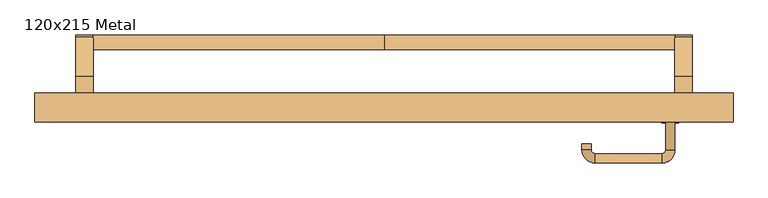
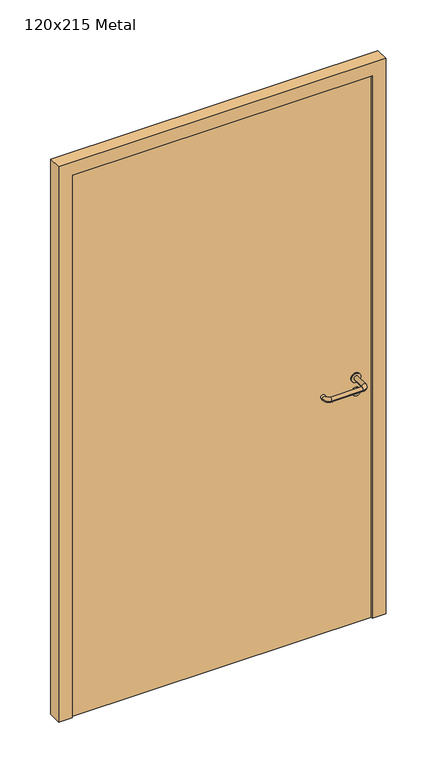
"""IFC4 building model written with IfcOpenShell, lengths in millimetres: door geometry, 120x215 Metal."""

from ifc_helpers import new_model, si_unit, point, frame, frame_2d, origin, origin_with_axes, place, context, project, spatial, polyline, circle_curve, ellipse_curve, trimmed, segment, composite_curve, outline, extrude, source, transform, mapped, element, save
from ifc_brep_helpers import plane_surface, cylinder_surface, revolved_surface, advanced_brep


def door_120x215_metal_ea33b3b6(model_context):
    return source(origin(), model_context, "Body", "SolidModel", [
        advanced_brep(
        [(-500.0, -24.5828565, 861.5304884), (-500.0, 0.4171435, 861.5304884), (0.0, 0.4171435, 861.5304884), (0.0, -24.5828565, 861.5304884), (500.0, -24.5828565, 861.5304884), (500.0, 0.4171435, 861.5304884)],
        [
            (0, 1, circle_curve(frame((-500.0, -12.0828565, 861.5304884), z_axis=(-1.0, 0.0, 0.0), x_axis=(0.0, 1.0, 0.0)), 12.5)),
            (1, 0, circle_curve(frame((-500.0, -12.0828565, 861.5304884), z_axis=(-1.0, 0.0, 0.0), x_axis=(0.0, 1.0, 0.0)), 12.5)),
            (1, 2),
            (2, 3, circle_curve(frame((0.0, -12.0828565, 861.5304884), z_axis=(-1.0, 0.0, 0.0), x_axis=(0.0, 1.0, 0.0)), 12.5)),
            (3, 0),
            (3, 2, circle_curve(frame((0.0, -12.0828565, 861.5304884), z_axis=(-1.0, 0.0, 0.0), x_axis=(0.0, 1.0, 0.0)), 12.5)),
            (4, 5, circle_curve(frame((500.0, -12.0828565, 861.5304884), z_axis=(1.0, 0.0, 0.0), x_axis=(0.0, 1.0, 0.0)), 12.5)),
            (5, 4, circle_curve(frame((500.0, -12.0828565, 861.5304884), z_axis=(1.0, 0.0, 0.0), x_axis=(0.0, 1.0, 0.0)), 12.5)),
            (4, 3),
            (2, 5),
        ],
        [
            plane_surface(frame((-500.0, 0.4171435, 861.5304884), z_axis=(-1.0, 0.0, 0.0), x_axis=(0.0, 0.0, -1.0))),
            cylinder_surface(frame((-500.0, -12.0828565, 861.5304884), z_axis=(1.0, 0.0, 0.0), x_axis=(0.0, 1.0, 0.0)), 12.5),
            plane_surface(frame((500.0, 0.4171435, 861.5304884), z_axis=(1.0, 0.0, 0.0), x_axis=(0.0, 0.0, 1.0))),
            cylinder_surface(frame((0.0, -12.0828565, 861.5304884), z_axis=(1.0, 0.0, 0.0), x_axis=(0.0, 1.0, 0.0)), 12.5),
        ],
        [
            (0, [[1, 2]]),
            (1, [[-2, 3, 4, 5]]),
            (1, [[-1, -5, 6, -3]]),
            (2, [[7, 8]]),
            (3, [[-7, 9, -4, 10]]),
            (3, [[-8, -10, -6, -9]]),
        ],
    ),
        extrude(outline(composite_curve([segment(polyline([(-70.0, 950.0), (-2.507301, 869.5653335)]), True, "CONTINUOUS"), segment(trimmed(circle_curve(frame_2d((-12.0828565, 861.5304884)), 12.5), [point((-2.507301, 869.5653335))], [point((-21.6584121, 853.4956432))], False, "CARTESIAN"), True, "CONTINUOUS"), segment(polyline([(-21.6584121, 853.4956432), (-71.4513009, 895.2768379), (-115.0, 895.2768379), (-115.0, 950.0), (-70.0, 950.0)]), True, "CONTINUOUS")], self_intersect=False)), frame((-530.0, 0.0, 0.0), z_axis=(1.0, 0.0, 0.0), x_axis=(0.0, 1.0, 0.0)), (0.0, 0.0, 1.0), 30.0),
        extrude(outline(composite_curve([segment(polyline([(-70.0, 950.0), (-2.507301, 869.5653335)]), True, "CONTINUOUS"), segment(trimmed(circle_curve(frame_2d((-12.0828565, 861.5304884)), 12.5), [point((-2.507301, 869.5653335))], [point((-21.6584121, 853.4956432))], False, "CARTESIAN"), True, "CONTINUOUS"), segment(polyline([(-21.6584121, 853.4956432), (-71.4513009, 895.2768379), (-115.0, 895.2768379), (-115.0, 950.0), (-70.0, 950.0)]), True, "CONTINUOUS")], self_intersect=False)), frame((500.0, 0.0, 0.0), z_axis=(1.0, 0.0, 0.0), x_axis=(0.0, 1.0, 0.0)), (0.0, 0.0, 1.0), 30.0),
        extrude(outline(composite_curve([segment(trimmed(circle_curve(frame_2d((0.0, 15.0)), 15.0), [point((0.0, 30.0))], [point((0.0, 0.0))], False, "CARTESIAN"), True, "CONTINUOUS"), segment(trimmed(circle_curve(frame_2d((0.0, 15.0)), 15.0), [point((0.0, 0.0))], [point((0.0, 30.0))], False, "CARTESIAN"), True, "CONTINUOUS")], self_intersect=False), holes=[composite_curve([segment(trimmed(circle_curve(frame_2d((-4.7772515, 14.9398032)), 2.0), [point((-4.7772515, 16.9398032))], [point((-4.7772515, 12.9398032))], True, "CARTESIAN"), True, "CONTINUOUS"), segment(polyline([(-4.7772515, 12.9398032), (5.2227485, 12.9398032)]), True, "CONTINUOUS"), segment(trimmed(circle_curve(frame_2d((5.2227485, 14.9398032)), 2.0), [point((5.2227485, 12.9398032))], [point((5.2227485, 16.9398032))], True, "CARTESIAN"), True, "CONTINUOUS"), segment(polyline([(5.2227485, 16.9398032), (-4.7772515, 16.9398032)]), True, "CONTINUOUS")], self_intersect=False)]), frame((477.0, -151.35, 897.3605726), z_axis=(-1.8870575173328306e-12, 1.0, 0.0), x_axis=(0.0, 0.0, 1.0)), (0.0, 0.0, 1.0), 6.35),
        extrude(outline(composite_curve([segment(trimmed(circle_curve(frame_2d((0.0, 17.526)), 17.526), [point((0.0, 35.052))], [point((0.0, 0.0))], False, "CARTESIAN"), True, "CONTINUOUS"), segment(trimmed(circle_curve(frame_2d((0.0, 17.526)), 17.526), [point((0.0, 0.0))], [point((0.0, 35.052))], False, "CARTESIAN"), True, "CONTINUOUS")], self_intersect=False)), frame((474.474, -148.175, 950.0), z_axis=(-1.8870575173328306e-12, 1.0, 0.0), x_axis=(0.0, 0.0, 1.0)), (0.0, 0.0, 1.0), 3.175),
        advanced_brep(
        [(500.0, -145.0, 950.0), (484.0, -145.0, 950.0), (484.0, -198.0, 950.0), (500.0, -198.0, 950.0), (477.8578644, -204.1421356, 950.0), (477.8578644, -220.1421356, 950.0), (362.8578644, -204.1421356, 950.0), (362.8578644, -220.1421356, 950.0), (356.008622, -197.2928932, 950.0), (340.008622, -197.2928932, 950.0), (340.008622, -187.2928932, 950.0), (356.008622, -187.2928932, 950.0)],
        [
            (0, 1, circle_curve(frame((492.0, -145.0, 950.0), z_axis=(-1.888672253512351e-12, 1.0, 0.0), x_axis=(-1.0, -1.888672253512351e-12, 0.0)), 8.0)),
            (1, 0, circle_curve(frame((492.0, -145.0, 950.0), z_axis=(-1.888672253512351e-12, 1.0, 0.0), x_axis=(-1.0, -1.888672253512351e-12, 0.0)), 8.0)),
            (1, 2),
            (2, 3, circle_curve(frame((492.0, -198.0, 950.0), z_axis=(-1.888672253512351e-12, 1.0, 0.0), x_axis=(-1.0, -1.888672253512351e-12, 0.0)), 8.0)),
            (3, 0),
            (3, 2, circle_curve(frame((492.0, -198.0, 950.0), z_axis=(-1.888672253512351e-12, 1.0, 0.0), x_axis=(-1.0, -1.888672253512351e-12, 0.0)), 8.0)),
            (4, 5, circle_curve(frame((477.8578644, -212.1421356, 950.0), z_axis=(1.0, 1.913702061528922e-12, 0.0), x_axis=(-1.913702061528922e-12, 1.0, 0.0)), 8.0)),
            (5, 3, circle_curve(frame((477.8578644, -198.0, 950.0), z_axis=(0.0, 0.0, 1.0), x_axis=(1.0, 1.880717803715015e-12, 0.0)), 22.1421356)),
            (2, 4, circle_curve(frame((477.8578644, -198.0, 950.0), z_axis=(0.0, 0.0, -1.0), x_axis=(1.0, 1.880717803715015e-12, 0.0)), 6.1421356)),
            (5, 4, circle_curve(frame((477.8578644, -212.1421356, 950.0), z_axis=(1.0, 1.913702061528922e-12, 0.0), x_axis=(-1.913702061528922e-12, 1.0, 0.0)), 8.0)),
            (4, 6),
            (6, 7, circle_curve(frame((362.8578644, -212.1421356, 950.0), z_axis=(1.0, 1.913719828541269e-12, 0.0), x_axis=(-1.913719828541269e-12, 1.0, 0.0)), 8.0)),
            (7, 5),
            (7, 6, circle_curve(frame((362.8578644, -212.1421356, 950.0), z_axis=(1.0, 1.913719828541269e-12, 0.0), x_axis=(-1.913719828541269e-12, 1.0, 0.0)), 8.0)),
            (8, 9, circle_curve(frame((348.008622, -197.2928932, 950.0), z_axis=(1.890226565746826e-12, -1.0, 0.0), x_axis=(1.0, 1.890226565746826e-12, 0.0)), 8.0)),
            (9, 7, circle_curve(frame((362.8578644, -197.2928932, 950.0), z_axis=(0.0, 0.0, 1.0), x_axis=(1.9120873253494017e-12, -1.0, 0.0)), 22.8492424)),
            (6, 8, circle_curve(frame((362.8578644, -197.2928932, 950.0), z_axis=(0.0, 0.0, -1.0), x_axis=(1.9120873253494017e-12, -1.0, 0.0)), 6.8492424)),
            (9, 8, circle_curve(frame((348.008622, -197.2928932, 950.0), z_axis=(1.890670654956676e-12, -1.0, 0.0), x_axis=(1.0, 1.890670654956676e-12, 0.0)), 8.0)),
            (10, 11, circle_curve(frame((348.008622, -187.2928932, 950.0), z_axis=(-1.8903642334018795e-12, 1.0, 0.0), x_axis=(1.0, 1.8903642334018795e-12, 0.0)), 8.0)),
            (11, 10, circle_curve(frame((348.008622, -187.2928932, 950.0), z_axis=(-1.8903642334018795e-12, 1.0, 0.0), x_axis=(1.0, 1.8903642334018795e-12, 0.0)), 8.0)),
            (8, 11),
            (10, 9),
        ],
        [
            plane_surface(frame((492.0, -145.0, 170.0), z_axis=(-1.8870575173328306e-12, 1.0, 0.0), x_axis=(0.0, 0.0, 1.0))),
            cylinder_surface(frame((492.0, -145.0, 950.0), z_axis=(-1.888672253512351e-12, 1.0, 0.0), x_axis=(-1.0, -1.888672253512351e-12, 0.0)), 8.0),
            revolved_surface(trimmed(ellipse_curve(frame((492.0, -198.0, 950.0), z_axis=(1.8823325398945356e-12, -1.0, 0.0), x_axis=(-1.0, -1.8823325398945356e-12, 0.0)), 8.0, 8.0), [point((500.0, -198.0, 950.0))], [point((484.0, -198.0, 950.0))], True, "CARTESIAN"), (477.8578644, -198.0, 170.0), (0.0, 0.0, 1.0)),
            revolved_surface(trimmed(ellipse_curve(frame((492.0, -198.0, 950.0), z_axis=(1.8823325398945356e-12, -1.0, 0.0), x_axis=(-1.0, -1.8823325398945356e-12, 0.0)), 8.0, 8.0), [point((484.0, -198.0, 950.0))], [point((500.0, -198.0, 950.0))], True, "CARTESIAN"), (477.8578644, -198.0, 170.0), (0.0, 0.0, 1.0)),
            cylinder_surface(frame((477.8578644, -212.1421356, 950.0), z_axis=(1.0, 1.913719828541269e-12, 0.0), x_axis=(-1.913719828541269e-12, 1.0, 0.0)), 8.0),
            revolved_surface(trimmed(ellipse_curve(frame((362.8578644, -212.1421356, 950.0), z_axis=(-1.0, -1.913702061528922e-12, 0.0), x_axis=(-1.913702061528922e-12, 1.0, 0.0)), 8.0, 8.0), [point((362.8578644, -220.1421356, 950.0))], [point((362.8578644, -204.1421356, 950.0))], True, "CARTESIAN"), (362.8578644, -197.2928932, 170.0), (0.0, 0.0, 1.0)),
            revolved_surface(trimmed(ellipse_curve(frame((362.8578644, -212.1421356, 950.0), z_axis=(-1.0, -1.913702061528922e-12, 0.0), x_axis=(-1.913702061528922e-12, 1.0, 0.0)), 8.0, 8.0), [point((362.8578644, -204.1421356, 950.0))], [point((362.8578644, -220.1421356, 950.0))], True, "CARTESIAN"), (362.8578644, -197.2928932, 170.0), (0.0, 0.0, 1.0)),
            plane_surface(frame((348.008622, -187.2928932, 170.0), z_axis=(-1.8887494972223595e-12, 1.0, 0.0), x_axis=(0.0, 0.0, 1.0))),
            cylinder_surface(frame((348.008622, -197.2928932, 950.0), z_axis=(1.8903642334018795e-12, -1.0, 0.0), x_axis=(1.0, 1.8903642334018795e-12, 0.0)), 8.0),
        ],
        [
            (0, [[1, 2]]),
            (1, [[3, 4, 5, -2]]),
            (1, [[-5, 6, -3, -1]]),
            (2, [[7, 8, -4, 9]]),
            (3, [[10, -9, -6, -8]]),
            (4, [[11, 12, 13, -7]]),
            (4, [[-13, 14, -11, -10]]),
            (5, [[15, 16, -12, 17]]),
            (6, [[18, -17, -14, -16]]),
            (7, [[19, 20]]),
            (8, [[21, -19, 22, -15]]),
            (8, [[-22, -20, -21, -18]]),
        ],
    ),
        extrude(outline(polyline([(2100.0, 550.0), (0.0, 550.0), (0.0, 600.0), (2150.0, 600.0), (2150.0, -600.0), (0.0, -600.0), (0.0, -550.0), (2100.0, -550.0), (2100.0, 550.0)])), frame((0.0, -150.0, 0.0), z_axis=(0.0, 1.0, 0.0), x_axis=(0.0, 0.0, 1.0)), (0.0, 0.0, 1.0), 50.0),
        extrude(outline(polyline([(-550.0, -145.0), (-550.0, -115.0), (550.0, -115.0), (550.0, -145.0), (-550.0, -145.0)])), origin_with_axes(), (0.0, 0.0, 1.0), 2100.0),
    ])


if __name__ == "__main__":
    model = new_model("IFC4")
    model_context = context("Model", 3, world=origin())
    ifc_project = project(units=[si_unit("LENGTHUNIT", "METRE", prefix="MILLI")], contexts=[model_context])
    site = spatial("IfcSite", under=ifc_project)
    building = spatial("IfcBuilding", under=site)
    placement = place(None, origin())
    door_120x215_metal_shape = door_120x215_metal_ea33b3b6(model_context)
    element("IfcDoor", 1, ObjectType="120x215 Metal", at=placement, inside=building, context=model_context, shape_type="MappedRepresentation", body=[
        mapped(door_120x215_metal_shape, transform((0.0, 0.0, 0.0), x_axis=(1.0, 0.0, 0.0), y_axis=(0.0, 1.0, 0.0), z_axis=(0.0, 0.0, 1.0))),
    ])
    save(model, "model.ifc")
